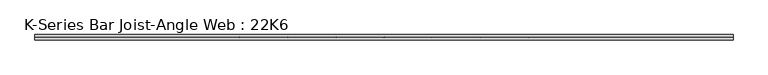
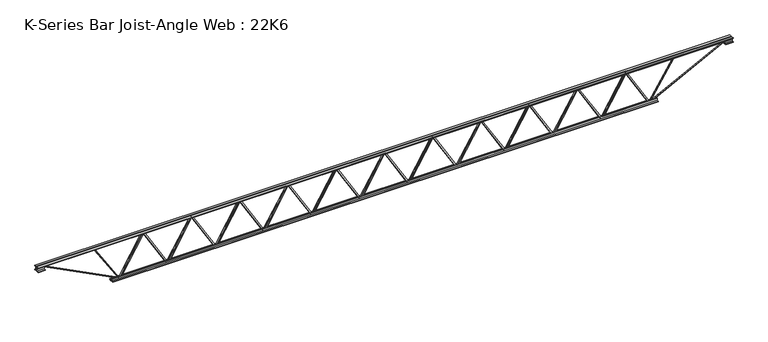
"""IFC4 building model written with IfcOpenShell, lengths in millimetres: beam geometry, K-Series Bar Joist-Angle Web : 22K6."""

from ifc_helpers import new_model, si_unit, frame, origin, place, context, project, spatial, polyline, outline, extrude, faceted_brep, source, transform, mapped, element, save


def k_series_bar_joist_angle_web_22k6_194b83d4(model_context):
    return source(origin(), model_context, "Body", "SolidModel", [
        extrude(outline(polyline([(-4.7625, 4.7625), (-4.7625, 0.0), (-17.4625, 0.0), (-17.4625, 4.7625), (-4.7625, 4.7625)])), frame((2919.8861091, 0.0, -241.3), z_axis=(-0.5089019313301346, 0.0, 0.8608245026069246), x_axis=(0.0, -1.0, 0.0)), (0.0, 0.0, 1.0), 560.6253058),
        extrude(outline(polyline([(-276.225, 2952.3170455), (-257.175, 2952.3170455), (-257.175, 2951.4010324), (276.225, 2636.0658051), (276.225, 2617.9318182), (257.175, 2617.9318182), (257.175, 2625.1978312), (-276.225, 2940.5330585), (-276.225, 2952.3170455)])), frame((0.0, 0.0, 0.0), z_axis=(0.0, 1.0, 0.0), x_axis=(0.0, 0.0, 1.0)), (0.0, 0.0, 1.0), 4.7625),
        faceted_brep([(2296.2465909, 0.0, -257.175), (2296.2465909, 0.0, -276.225), (2296.2465909, -4.7625, -276.225), (2296.2465909, -4.7625, -257.175), (2297.162604, 0.0, -257.175), (2612.4978312, 0.0, 276.225), (2630.6318182, 0.0, 276.225), (2630.6318182, 0.0, 257.175), (2623.3658051, 0.0, 257.175), (2308.0305778, 0.0, -276.225), (2308.0305778, -4.7625, -276.225), (2328.6775273, -4.7625, -241.3), (2324.5778506, -4.7625, -238.8763546), (2609.8811514, -4.7625, 243.7236454), (2613.9808281, -4.7625, 241.3), (2623.3658051, -4.7625, 257.175), (2630.6318182, -4.7625, 257.175), (2630.6318182, -4.7625, 276.225), (2612.4978312, -4.7625, 276.225), (2297.162604, -4.7625, -257.175), (2613.9808281, -17.4625, 241.3), (2328.6775273, -17.4625, -241.3), (2324.5778506, -17.4625, -238.8763546), (2609.8811514, -17.4625, 243.7236454)], [[[0, 1, 2, 3]], [[1, 0, 4, 5, 6, 7, 8, 9]], [[2, 1, 9, 10]], [[3, 2, 10, 11, 12, 13, 14, 15, 16, 17, 18, 19]], [[0, 3, 19, 4]], [[9, 8, 15, 14, 20, 21, 11, 10]], [[5, 4, 19, 18]], [[7, 6, 17, 16]], [[8, 7, 16, 15]], [[6, 5, 18, 17]], [[21, 22, 12, 11]], [[20, 14, 13, 23]], [[22, 21, 20, 23]], [[12, 22, 23, 13]]]),
        extrude(outline(polyline([(-4.7625, 4.7625), (-4.7625, 0.0), (-17.4625, 0.0), (-17.4625, 4.7625), (-4.7625, 4.7625)])), frame((2263.8156546, 0.0, -241.3), z_axis=(-0.5089019313301346, 0.0, 0.8608245026069246), x_axis=(0.0, -1.0, 0.0)), (0.0, 0.0, 1.0), 560.6253058),
        extrude(outline(polyline([(-276.225, 2296.2465909), (-257.175, 2296.2465909), (-257.175, 2295.3305778), (276.225, 1979.9953506), (276.225, 1961.8613636), (257.175, 1961.8613636), (257.175, 1969.1273767), (-276.225, 2284.462604), (-276.225, 2296.2465909)])), frame((0.0, 0.0, 0.0), z_axis=(0.0, 1.0, 0.0), x_axis=(0.0, 0.0, 1.0)), (0.0, 0.0, 1.0), 4.7625),
        faceted_brep([(1640.1761364, 0.0, -257.175), (1640.1761364, 0.0, -276.225), (1640.1761364, -4.7625, -276.225), (1640.1761364, -4.7625, -257.175), (1641.0921494, 0.0, -257.175), (1956.4273767, 0.0, 276.225), (1974.5613636, 0.0, 276.225), (1974.5613636, 0.0, 257.175), (1967.2953506, 0.0, 257.175), (1651.9601233, 0.0, -276.225), (1651.9601233, -4.7625, -276.225), (1672.6070727, -4.7625, -241.3), (1668.507396, -4.7625, -238.8763546), (1953.8106969, -4.7625, 243.7236454), (1957.9103736, -4.7625, 241.3), (1967.2953506, -4.7625, 257.175), (1974.5613636, -4.7625, 257.175), (1974.5613636, -4.7625, 276.225), (1956.4273767, -4.7625, 276.225), (1641.0921494, -4.7625, -257.175), (1957.9103736, -17.4625, 241.3), (1672.6070727, -17.4625, -241.3), (1668.507396, -17.4625, -238.8763546), (1953.8106969, -17.4625, 243.7236454)], [[[0, 1, 2, 3]], [[1, 0, 4, 5, 6, 7, 8, 9]], [[2, 1, 9, 10]], [[3, 2, 10, 11, 12, 13, 14, 15, 16, 17, 18, 19]], [[0, 3, 19, 4]], [[9, 8, 15, 14, 20, 21, 11, 10]], [[5, 4, 19, 18]], [[7, 6, 17, 16]], [[8, 7, 16, 15]], [[6, 5, 18, 17]], [[21, 22, 12, 11]], [[20, 14, 13, 23]], [[22, 21, 20, 23]], [[12, 22, 23, 13]]]),
        extrude(outline(polyline([(-4.7625, 4.7625), (-4.7625, 0.0), (-17.4625, 0.0), (-17.4625, 4.7625), (-4.7625, 4.7625)])), frame((1607.7452, 0.0, -241.3), z_axis=(-0.5089019313301346, 0.0, 0.8608245026069246), x_axis=(0.0, -1.0, 0.0)), (0.0, 0.0, 1.0), 560.6253058),
        extrude(outline(polyline([(-276.225, 1640.1761364), (-257.175, 1640.1761364), (-257.175, 1639.2601233), (276.225, 1323.924896), (276.225, 1305.7909091), (257.175, 1305.7909091), (257.175, 1313.0569222), (-276.225, 1628.3921494), (-276.225, 1640.1761364)])), frame((0.0, 0.0, 0.0), z_axis=(0.0, 1.0, 0.0), x_axis=(0.0, 0.0, 1.0)), (0.0, 0.0, 1.0), 4.7625),
        faceted_brep([(984.1056818, 0.0, -257.175), (984.1056818, 0.0, -276.225), (984.1056818, -4.7625, -276.225), (984.1056818, -4.7625, -257.175), (985.0216949, 0.0, -257.175), (1300.3569222, 0.0, 276.225), (1318.4909091, 0.0, 276.225), (1318.4909091, 0.0, 257.175), (1311.224896, 0.0, 257.175), (995.8896688, 0.0, -276.225), (995.8896688, -4.7625, -276.225), (1016.5366182, -4.7625, -241.3), (1012.4369415, -4.7625, -238.8763546), (1297.7402423, -4.7625, 243.7236454), (1301.839919, -4.7625, 241.3), (1311.224896, -4.7625, 257.175), (1318.4909091, -4.7625, 257.175), (1318.4909091, -4.7625, 276.225), (1300.3569222, -4.7625, 276.225), (985.0216949, -4.7625, -257.175), (1301.839919, -17.4625, 241.3), (1016.5366182, -17.4625, -241.3), (1012.4369415, -17.4625, -238.8763546), (1297.7402423, -17.4625, 243.7236454)], [[[0, 1, 2, 3]], [[1, 0, 4, 5, 6, 7, 8, 9]], [[2, 1, 9, 10]], [[3, 2, 10, 11, 12, 13, 14, 15, 16, 17, 18, 19]], [[0, 3, 19, 4]], [[9, 8, 15, 14, 20, 21, 11, 10]], [[5, 4, 19, 18]], [[7, 6, 17, 16]], [[8, 7, 16, 15]], [[6, 5, 18, 17]], [[21, 22, 12, 11]], [[20, 14, 13, 23]], [[22, 21, 20, 23]], [[12, 22, 23, 13]]]),
        extrude(outline(polyline([(-4.7625, 4.7625), (-4.7625, 0.0), (-17.4625, 0.0), (-17.4625, 4.7625), (-4.7625, 4.7625)])), frame((951.6747455, 0.0, -241.3), z_axis=(-0.5089019313301346, 0.0, 0.8608245026069246), x_axis=(0.0, -1.0, 0.0)), (0.0, 0.0, 1.0), 560.6253058),
        extrude(outline(polyline([(-276.225, 984.1056818), (-257.175, 984.1056818), (-257.175, 983.1896688), (276.225, 667.8544415), (276.225, 649.7204545), (257.175, 649.7204545), (257.175, 656.9864676), (-276.225, 972.3216949), (-276.225, 984.1056818)])), frame((0.0, 0.0, 0.0), z_axis=(0.0, 1.0, 0.0), x_axis=(0.0, 0.0, 1.0)), (0.0, 0.0, 1.0), 4.7625),
        faceted_brep([(328.0352273, 0.0, -257.175), (328.0352273, 0.0, -276.225), (328.0352273, -4.7625, -276.225), (328.0352273, -4.7625, -257.175), (328.9512403, 0.0, -257.175), (644.2864676, 0.0, 276.225), (662.4204545, 0.0, 276.225), (662.4204545, 0.0, 257.175), (655.1544415, 0.0, 257.175), (339.8192142, 0.0, -276.225), (339.8192142, -4.7625, -276.225), (360.4661636, -4.7625, -241.3), (356.3664869, -4.7625, -238.8763546), (641.6697878, -4.7625, 243.7236454), (645.7694645, -4.7625, 241.3), (655.1544415, -4.7625, 257.175), (662.4204545, -4.7625, 257.175), (662.4204545, -4.7625, 276.225), (644.2864676, -4.7625, 276.225), (328.9512403, -4.7625, -257.175), (645.7694645, -17.4625, 241.3), (360.4661636, -17.4625, -241.3), (356.3664869, -17.4625, -238.8763546), (641.6697878, -17.4625, 243.7236454)], [[[0, 1, 2, 3]], [[1, 0, 4, 5, 6, 7, 8, 9]], [[2, 1, 9, 10]], [[3, 2, 10, 11, 12, 13, 14, 15, 16, 17, 18, 19]], [[0, 3, 19, 4]], [[9, 8, 15, 14, 20, 21, 11, 10]], [[5, 4, 19, 18]], [[7, 6, 17, 16]], [[8, 7, 16, 15]], [[6, 5, 18, 17]], [[21, 22, 12, 11]], [[20, 14, 13, 23]], [[22, 21, 20, 23]], [[12, 22, 23, 13]]]),
        extrude(outline(polyline([(-4.7625, 4.7625), (-4.7625, 0.0), (-17.4625, 0.0), (-17.4625, 4.7625), (-4.7625, 4.7625)])), frame((295.6042909, 0.0, -241.3), z_axis=(-0.5089019313301346, 0.0, 0.8608245026069246), x_axis=(0.0, -1.0, 0.0)), (0.0, 0.0, 1.0), 560.6253058),
        extrude(outline(polyline([(-276.225, 328.0352273), (-257.175, 328.0352273), (-257.175, 327.1192142), (276.225, 11.7839869), (276.225, -6.35), (257.175, -6.35), (257.175, 0.9160131), (-276.225, 316.2512403), (-276.225, 328.0352273)])), frame((0.0, 0.0, 0.0), z_axis=(0.0, 1.0, 0.0), x_axis=(0.0, 0.0, 1.0)), (0.0, 0.0, 1.0), 4.7625),
        faceted_brep([(-328.0352273, 0.0, -257.175), (-328.0352273, 0.0, -276.225), (-328.0352273, -4.7625, -276.225), (-328.0352273, -4.7625, -257.175), (-327.1192142, 0.0, -257.175), (-11.7839869, 0.0, 276.225), (6.35, 0.0, 276.225), (6.35, 0.0, 257.175), (-0.9160131, 0.0, 257.175), (-316.2512403, 0.0, -276.225), (-316.2512403, -4.7625, -276.225), (-295.6042909, -4.7625, -241.3), (-299.7039676, -4.7625, -238.8763546), (-14.4006668, -4.7625, 243.7236454), (-10.3009901, -4.7625, 241.3), (-0.9160131, -4.7625, 257.175), (6.35, -4.7625, 257.175), (6.35, -4.7625, 276.225), (-11.7839869, -4.7625, 276.225), (-327.1192142, -4.7625, -257.175), (-10.3009901, -17.4625, 241.3), (-295.6042909, -17.4625, -241.3), (-299.7039676, -17.4625, -238.8763546), (-14.4006668, -17.4625, 243.7236454)], [[[0, 1, 2, 3]], [[1, 0, 4, 5, 6, 7, 8, 9]], [[2, 1, 9, 10]], [[3, 2, 10, 11, 12, 13, 14, 15, 16, 17, 18, 19]], [[0, 3, 19, 4]], [[9, 8, 15, 14, 20, 21, 11, 10]], [[5, 4, 19, 18]], [[7, 6, 17, 16]], [[8, 7, 16, 15]], [[6, 5, 18, 17]], [[21, 22, 12, 11]], [[20, 14, 13, 23]], [[22, 21, 20, 23]], [[12, 22, 23, 13]]]),
        extrude(outline(polyline([(-4.7625, 4.7625), (-4.7625, 0.0), (-17.4625, 0.0), (-17.4625, 4.7625), (-4.7625, 4.7625)])), frame((-360.4661636, 0.0, -241.3), z_axis=(-0.5089019313301346, 0.0, 0.8608245026069246), x_axis=(0.0, -1.0, 0.0)), (0.0, 0.0, 1.0), 560.6253058),
        extrude(outline(polyline([(-276.225, -328.0352273), (-257.175, -328.0352273), (-257.175, -328.9512403), (276.225, -644.2864676), (276.225, -662.4204545), (257.175, -662.4204545), (257.175, -655.1544415), (-276.225, -339.8192142), (-276.225, -328.0352273)])), frame((0.0, 0.0, 0.0), z_axis=(0.0, 1.0, 0.0), x_axis=(0.0, 0.0, 1.0)), (0.0, 0.0, 1.0), 4.7625),
        faceted_brep([(-984.1056818, 0.0, -257.175), (-984.1056818, 0.0, -276.225), (-984.1056818, -4.7625, -276.225), (-984.1056818, -4.7625, -257.175), (-983.1896688, 0.0, -257.175), (-667.8544415, 0.0, 276.225), (-649.7204545, 0.0, 276.225), (-649.7204545, 0.0, 257.175), (-656.9864676, 0.0, 257.175), (-972.3216949, 0.0, -276.225), (-972.3216949, -4.7625, -276.225), (-951.6747455, -4.7625, -241.3), (-955.7744222, -4.7625, -238.8763546), (-670.4711213, -4.7625, 243.7236454), (-666.3714446, -4.7625, 241.3), (-656.9864676, -4.7625, 257.175), (-649.7204545, -4.7625, 257.175), (-649.7204545, -4.7625, 276.225), (-667.8544415, -4.7625, 276.225), (-983.1896688, -4.7625, -257.175), (-666.3714446, -17.4625, 241.3), (-951.6747455, -17.4625, -241.3), (-955.7744222, -17.4625, -238.8763546), (-670.4711213, -17.4625, 243.7236454)], [[[0, 1, 2, 3]], [[1, 0, 4, 5, 6, 7, 8, 9]], [[2, 1, 9, 10]], [[3, 2, 10, 11, 12, 13, 14, 15, 16, 17, 18, 19]], [[0, 3, 19, 4]], [[9, 8, 15, 14, 20, 21, 11, 10]], [[5, 4, 19, 18]], [[7, 6, 17, 16]], [[8, 7, 16, 15]], [[6, 5, 18, 17]], [[21, 22, 12, 11]], [[20, 14, 13, 23]], [[22, 21, 20, 23]], [[12, 22, 23, 13]]]),
        extrude(outline(polyline([(-4.7625, 4.7625), (-4.7625, 0.0), (-17.4625, 0.0), (-17.4625, 4.7625), (-4.7625, 4.7625)])), frame((-1016.5366182, 0.0, -241.3), z_axis=(-0.5089019313301346, 0.0, 0.8608245026069246), x_axis=(0.0, -1.0, 0.0)), (0.0, 0.0, 1.0), 560.6253058),
        extrude(outline(polyline([(-276.225, -984.1056818), (-257.175, -984.1056818), (-257.175, -985.0216949), (276.225, -1300.3569222), (276.225, -1318.4909091), (257.175, -1318.4909091), (257.175, -1311.224896), (-276.225, -995.8896688), (-276.225, -984.1056818)])), frame((0.0, 0.0, 0.0), z_axis=(0.0, 1.0, 0.0), x_axis=(0.0, 0.0, 1.0)), (0.0, 0.0, 1.0), 4.7625),
        faceted_brep([(-1640.1761364, 0.0, -257.175), (-1640.1761364, 0.0, -276.225), (-1640.1761364, -4.7625, -276.225), (-1640.1761364, -4.7625, -257.175), (-1639.2601233, 0.0, -257.175), (-1323.924896, 0.0, 276.225), (-1305.7909091, 0.0, 276.225), (-1305.7909091, 0.0, 257.175), (-1313.0569222, 0.0, 257.175), (-1628.3921494, 0.0, -276.225), (-1628.3921494, -4.7625, -276.225), (-1607.7452, -4.7625, -241.3), (-1611.8448767, -4.7625, -238.8763546), (-1326.5415758, -4.7625, 243.7236454), (-1322.4418992, -4.7625, 241.3), (-1313.0569222, -4.7625, 257.175), (-1305.7909091, -4.7625, 257.175), (-1305.7909091, -4.7625, 276.225), (-1323.924896, -4.7625, 276.225), (-1639.2601233, -4.7625, -257.175), (-1322.4418992, -17.4625, 241.3), (-1607.7452, -17.4625, -241.3), (-1611.8448767, -17.4625, -238.8763546), (-1326.5415758, -17.4625, 243.7236454)], [[[0, 1, 2, 3]], [[1, 0, 4, 5, 6, 7, 8, 9]], [[2, 1, 9, 10]], [[3, 2, 10, 11, 12, 13, 14, 15, 16, 17, 18, 19]], [[0, 3, 19, 4]], [[9, 8, 15, 14, 20, 21, 11, 10]], [[5, 4, 19, 18]], [[7, 6, 17, 16]], [[8, 7, 16, 15]], [[6, 5, 18, 17]], [[21, 22, 12, 11]], [[20, 14, 13, 23]], [[22, 21, 20, 23]], [[12, 22, 23, 13]]]),
        extrude(outline(polyline([(-4.7625, 4.7625), (-4.7625, 0.0), (-17.4625, 0.0), (-17.4625, 4.7625), (-4.7625, 4.7625)])), frame((-1672.6070727, 0.0, -241.3), z_axis=(-0.5089019313301346, 0.0, 0.8608245026069246), x_axis=(0.0, -1.0, 0.0)), (0.0, 0.0, 1.0), 560.6253058),
        extrude(outline(polyline([(-276.225, -1640.1761364), (-257.175, -1640.1761364), (-257.175, -1641.0921494), (276.225, -1956.4273767), (276.225, -1974.5613636), (257.175, -1974.5613636), (257.175, -1967.2953506), (-276.225, -1651.9601233), (-276.225, -1640.1761364)])), frame((0.0, 0.0, 0.0), z_axis=(0.0, 1.0, 0.0), x_axis=(0.0, 0.0, 1.0)), (0.0, 0.0, 1.0), 4.7625),
        faceted_brep([(-2296.2465909, 0.0, -257.175), (-2296.2465909, 0.0, -276.225), (-2296.2465909, -4.7625, -276.225), (-2296.2465909, -4.7625, -257.175), (-2295.3305778, 0.0, -257.175), (-1979.9953506, 0.0, 276.225), (-1961.8613636, 0.0, 276.225), (-1961.8613636, 0.0, 257.175), (-1969.1273767, 0.0, 257.175), (-2284.462604, 0.0, -276.225), (-2284.462604, -4.7625, -276.225), (-2263.8156546, -4.7625, -241.3), (-2267.9153313, -4.7625, -238.8763546), (-1982.6120304, -4.7625, 243.7236454), (-1978.5123537, -4.7625, 241.3), (-1969.1273767, -4.7625, 257.175), (-1961.8613636, -4.7625, 257.175), (-1961.8613636, -4.7625, 276.225), (-1979.9953506, -4.7625, 276.225), (-2295.3305778, -4.7625, -257.175), (-1978.5123537, -17.4625, 241.3), (-2263.8156546, -17.4625, -241.3), (-2267.9153313, -17.4625, -238.8763546), (-1982.6120304, -17.4625, 243.7236454)], [[[0, 1, 2, 3]], [[1, 0, 4, 5, 6, 7, 8, 9]], [[2, 1, 9, 10]], [[3, 2, 10, 11, 12, 13, 14, 15, 16, 17, 18, 19]], [[0, 3, 19, 4]], [[9, 8, 15, 14, 20, 21, 11, 10]], [[5, 4, 19, 18]], [[7, 6, 17, 16]], [[8, 7, 16, 15]], [[6, 5, 18, 17]], [[21, 22, 12, 11]], [[20, 14, 13, 23]], [[22, 21, 20, 23]], [[12, 22, 23, 13]]]),
        extrude(outline(polyline([(-4.7625, 4.7625), (-4.7625, 0.0), (-17.4625, 0.0), (-17.4625, 4.7625), (-4.7625, 4.7625)])), frame((-2328.6775273, 0.0, -241.3), z_axis=(-0.5089019313301346, 0.0, 0.8608245026069246), x_axis=(0.0, -1.0, 0.0)), (0.0, 0.0, 1.0), 560.6253058),
        extrude(outline(polyline([(-276.225, -2296.2465909), (-257.175, -2296.2465909), (-257.175, -2297.162604), (276.225, -2612.4978312), (276.225, -2630.6318182), (257.175, -2630.6318182), (257.175, -2623.3658051), (-276.225, -2308.0305778), (-276.225, -2296.2465909)])), frame((0.0, 0.0, 0.0), z_axis=(0.0, 1.0, 0.0), x_axis=(0.0, 0.0, 1.0)), (0.0, 0.0, 1.0), 4.7625),
        faceted_brep([(-2952.3170455, 0.0, -257.175), (-2952.3170455, 0.0, -276.225), (-2952.3170455, -4.7625, -276.225), (-2952.3170455, -4.7625, -257.175), (-2951.4010324, 0.0, -257.175), (-2636.0658051, 0.0, 276.225), (-2617.9318182, 0.0, 276.225), (-2617.9318182, 0.0, 257.175), (-2625.1978312, 0.0, 257.175), (-2940.5330585, 0.0, -276.225), (-2940.5330585, -4.7625, -276.225), (-2919.8861091, -4.7625, -241.3), (-2923.9857858, -4.7625, -238.8763546), (-2638.6824849, -4.7625, 243.7236454), (-2634.5828082, -4.7625, 241.3), (-2625.1978312, -4.7625, 257.175), (-2617.9318182, -4.7625, 257.175), (-2617.9318182, -4.7625, 276.225), (-2636.0658051, -4.7625, 276.225), (-2951.4010324, -4.7625, -257.175), (-2634.5828082, -17.4625, 241.3), (-2919.8861091, -17.4625, -241.3), (-2923.9857858, -17.4625, -238.8763546), (-2638.6824849, -17.4625, 243.7236454)], [[[0, 1, 2, 3]], [[1, 0, 4, 5, 6, 7, 8, 9]], [[2, 1, 9, 10]], [[3, 2, 10, 11, 12, 13, 14, 15, 16, 17, 18, 19]], [[0, 3, 19, 4]], [[9, 8, 15, 14, 20, 21, 11, 10]], [[5, 4, 19, 18]], [[7, 6, 17, 16]], [[8, 7, 16, 15]], [[6, 5, 18, 17]], [[21, 22, 12, 11]], [[20, 14, 13, 23]], [[22, 21, 20, 23]], [[12, 22, 23, 13]]]),
        extrude(outline(polyline([(-4.7625, 4.7624999), (-4.7625, 0.0), (-17.4625, 0.0), (-17.4625, 4.7624999), (-4.7625, 4.7624999)])), frame((3575.9565637, 0.0, -241.3), z_axis=(-0.5089019313301346, 0.0, 0.8608245026069246), x_axis=(0.0, -1.0, 0.0)), (0.0, 0.0, 1.0), 560.6253058),
        extrude(outline(polyline([(-276.225, 3608.3875), (-257.175, 3608.3875), (-257.175, 3607.4714869), (276.225, 3292.1362597), (276.225, 3274.0022727), (257.175, 3274.0022727), (257.175, 3281.2682858), (-276.225, 3596.6035131), (-276.225, 3608.3875)])), frame((0.0, 0.0, 0.0), z_axis=(0.0, 1.0, 0.0), x_axis=(0.0, 0.0, 1.0)), (0.0, 0.0, 1.0), 4.7625),
        faceted_brep([(2952.3170455, 0.0, -257.175), (2952.3170455, 0.0, -276.225), (2952.3170455, -4.7625, -276.225), (2952.3170455, -4.7625, -257.175), (2953.2330585, 0.0, -257.175), (3268.5682858, 0.0, 276.225), (3286.7022727, 0.0, 276.225), (3286.7022727, 0.0, 257.175), (3279.4362597, 0.0, 257.175), (2964.1010324, 0.0, -276.225), (2964.1010324, -4.7625, -276.225), (2984.7479818, -4.7625, -241.3), (2980.6483051, -4.7625, -238.8763546), (3265.951606, -4.7625, 243.7236454), (3270.0512827, -4.7625, 241.3), (3279.4362597, -4.7625, 257.175), (3286.7022727, -4.7625, 257.175), (3286.7022727, -4.7625, 276.225), (3268.5682858, -4.7625, 276.225), (2953.2330585, -4.7625, -257.175), (3270.0512827, -17.4625, 241.3), (2984.7479818, -17.4625, -241.3), (2980.6483051, -17.4625, -238.8763546), (3265.951606, -17.4625, 243.7236454)], [[[0, 1, 2, 3]], [[1, 0, 4, 5, 6, 7, 8, 9]], [[2, 1, 9, 10]], [[3, 2, 10, 11, 12, 13, 14, 15, 16, 17, 18, 19]], [[0, 3, 19, 4]], [[9, 8, 15, 14, 20, 21, 11, 10]], [[5, 4, 19, 18]], [[7, 6, 17, 16]], [[8, 7, 16, 15]], [[6, 5, 18, 17]], [[21, 22, 12, 11]], [[20, 14, 13, 23]], [[22, 21, 20, 23]], [[12, 22, 23, 13]]]),
        extrude(outline(polyline([(-4.7625, 4.7625), (-4.7625, 0.0), (-17.4625, 0.0), (-17.4625, 4.7625), (-4.7625, 4.7625)])), frame((-2984.7479818, 0.0, -241.3), z_axis=(-0.5089019313301346, 0.0, 0.8608245026069246), x_axis=(0.0, -1.0, 0.0)), (0.0, 0.0, 1.0), 560.6253058),
        extrude(outline(polyline([(-276.225, -2952.3170455), (-257.175, -2952.3170455), (-257.175, -2953.2330585), (276.225, -3268.5682858), (276.225, -3286.7022727), (257.175, -3286.7022727), (257.175, -3279.4362597), (-276.225, -2964.1010324), (-276.225, -2952.3170455)])), frame((0.0, 0.0, 0.0), z_axis=(0.0, 1.0, 0.0), x_axis=(0.0, 0.0, 1.0)), (0.0, 0.0, 1.0), 4.7625),
        faceted_brep([(-3608.3875, 0.0, -257.175), (-3608.3875, 0.0, -276.225), (-3608.3875, -4.7625, -276.225), (-3608.3875, -4.7625, -257.175), (-3607.4714869, 0.0, -257.175), (-3292.1362597, 0.0, 276.225), (-3274.0022727, 0.0, 276.225), (-3274.0022727, 0.0, 257.175), (-3281.2682858, 0.0, 257.175), (-3596.6035131, 0.0, -276.225), (-3596.6035131, -4.7625, -276.225), (-3575.9565637, -4.7625, -241.3), (-3580.0562403, -4.7625, -238.8763546), (-3294.7529395, -4.7625, 243.7236454), (-3290.6532628, -4.7625, 241.3), (-3281.2682858, -4.7625, 257.175), (-3274.0022727, -4.7625, 257.175), (-3274.0022727, -4.7625, 276.225), (-3292.1362597, -4.7625, 276.225), (-3607.4714869, -4.7625, -257.175), (-3290.6532628, -17.4625, 241.3), (-3575.9565637, -17.4625, -241.3), (-3580.0562403, -17.4625, -238.8763546), (-3294.7529395, -17.4625, 243.7236454)], [[[0, 1, 2, 3]], [[1, 0, 4, 5, 6, 7, 8, 9]], [[2, 1, 9, 10]], [[3, 2, 10, 11, 12, 13, 14, 15, 16, 17, 18, 19]], [[0, 3, 19, 4]], [[9, 8, 15, 14, 20, 21, 11, 10]], [[5, 4, 19, 18]], [[7, 6, 17, 16]], [[8, 7, 16, 15]], [[6, 5, 18, 17]], [[21, 22, 12, 11]], [[20, 14, 13, 23]], [[22, 21, 20, 23]], [[12, 22, 23, 13]]]),
        extrude(outline(polyline([(4.7625, 279.4), (36.5125, 279.4), (36.5125, 273.05), (11.1125, 273.05), (11.1125, 247.65), (4.7625, 247.65), (4.7625, 279.4)])), frame((-4725.9875, 0.0, 0.0), z_axis=(1.0, 0.0, 0.0), x_axis=(0.0, 1.0, 0.0)), (0.0, 0.0, 1.0), 9451.975),
        extrude(outline(polyline([(-4.7625, 279.4), (-4.7625, 247.65), (-11.1125, 247.65), (-11.1125, 273.05), (-36.5125, 273.05), (-36.5125, 279.4), (-4.7625, 279.4)])), frame((-4725.9875, 0.0, 0.0), z_axis=(1.0, 0.0, 0.0), x_axis=(0.0, 1.0, 0.0)), (0.0, 0.0, 1.0), 9451.975),
        extrude(outline(polyline([(-4.7625, 215.9), (-36.5125, 215.9), (-36.5125, 222.25), (-11.1125, 222.25), (-11.1125, 247.65), (-4.7625, 247.65), (-4.7625, 215.9)])), frame((-4725.9875, 0.0, 0.0), z_axis=(1.0, 0.0, 0.0), x_axis=(0.0, 1.0, 0.0)), (0.0, 0.0, 1.0), 101.6),
        extrude(outline(polyline([(36.5125, 215.9), (4.7625, 215.9), (4.7625, 247.65), (11.1125, 247.65), (11.1125, 222.25), (36.5125, 222.25), (36.5125, 215.9)])), frame((-4725.9875, 0.0, 0.0), z_axis=(1.0, 0.0, 0.0), x_axis=(0.0, 1.0, 0.0)), (0.0, 0.0, 1.0), 101.6),
        extrude(outline(polyline([(4.7625, 215.9), (4.7625, 247.65), (11.1125, 247.65), (11.1125, 222.25), (36.5125, 222.25), (36.5125, 215.9), (4.7625, 215.9)])), frame((4624.3875, 0.0, 0.0), z_axis=(1.0, 0.0, 0.0), x_axis=(0.0, 1.0, 0.0)), (0.0, 0.0, 1.0), 101.6),
        extrude(outline(polyline([(-4.7625, 215.9), (-36.5125, 215.9), (-36.5125, 222.25), (-11.1125, 222.25), (-11.1125, 247.65), (-4.7625, 247.65), (-4.7625, 215.9)])), frame((4624.3875, 0.0, 0.0), z_axis=(1.0, 0.0, 0.0), x_axis=(0.0, 1.0, 0.0)), (0.0, 0.0, 1.0), 101.6),
        extrude(outline(polyline([(4.7625, -279.4), (4.7625, -247.65), (11.1125, -247.65), (11.1125, -273.05), (36.5125, -273.05), (36.5125, -279.4), (4.7625, -279.4)])), frame((-3709.9875, 0.0, 0.0), z_axis=(1.0, 0.0, 0.0), x_axis=(0.0, 1.0, 0.0)), (0.0, 0.0, 1.0), 7419.975),
        extrude(outline(polyline([(-4.7625, -279.4), (-36.5125, -279.4), (-36.5125, -273.05), (-11.1125, -273.05), (-11.1125, -247.65), (-4.7625, -247.65), (-4.7625, -279.4)])), frame((-3709.9875, 0.0, 0.0), z_axis=(1.0, 0.0, 0.0), x_axis=(0.0, 1.0, 0.0)), (0.0, 0.0, 1.0), 7419.975),
        extrude(outline(polyline([(4.7625, 4.7625), (4.7625, -4.7625), (-4.7625, -4.7625), (-4.7625, 4.7625), (4.7625, 4.7625)])), frame((3608.3875, 0.0, -273.05), z_axis=(0.533030941322702, 0.0, 0.8460957484780516), x_axis=(0.0, -1.0, 0.0)), (0.0, 0.0, 1.0), 615.4149822),
        extrude(outline(polyline([(4.7625, 4.7625), (4.7625, -4.7625), (-4.7625, -4.7625), (-4.7625, 4.7625), (4.7625, 4.7625)])), frame((-3608.3875, 0.0, -273.05), z_axis=(-0.5330309413226807, 0.0, 0.846095748478065), x_axis=(0.0, -1.0, 0.0)), (0.0, 0.0, 1.0), 615.4149822),
        extrude(outline(polyline([(0.0, -9.525), (0.0, 0.0), (1141.6586574, 0.0), (1141.6586574, -9.525), (0.0, -9.525)])), frame((4626.5596324, -4.7625, 243.4116929), z_axis=(-0.4560907909100905, 0.0, 0.8899332505570338), x_axis=(-0.8899332505570338, 0.0, -0.4560907909100905)), (0.0, 0.0, 1.0), 9.525),
        extrude(outline(polyline([(0.0, -9.525), (0.0, 0.0), (1141.6586574, 0.0), (1141.6586574, -9.525), (0.0, -9.525)])), frame((-4626.5596324, 4.7625, 243.4116929), z_axis=(0.4560907909100891, 0.0, 0.8899332505570344), x_axis=(0.8899332505570344, 0.0, -0.4560907909100891)), (0.0, 0.0, 1.0), 9.525),
    ])


if __name__ == "__main__":
    model = new_model("IFC4")
    model_context = context("Model", 3, world=origin())
    ifc_project = project(units=[si_unit("LENGTHUNIT", "METRE", prefix="MILLI")], contexts=[model_context])
    site = spatial("IfcSite", under=ifc_project)
    building = spatial("IfcBuilding", under=site)
    placement = place(None, origin())
    k_series_bar_joist_angle_web_22k6_shape = k_series_bar_joist_angle_web_22k6_194b83d4(model_context)
    element("IfcBeam", 1, ObjectType="K-Series Bar Joist-Angle Web : 22K6", at=placement, inside=building, context=model_context, shape_type="MappedRepresentation", body=[
        mapped(k_series_bar_joist_angle_web_22k6_shape, transform((0.0, 0.0, 0.0), x_axis=(1.0, 0.0, 0.0), y_axis=(0.0, 1.0, 0.0), z_axis=(0.0, 0.0, 1.0))),
    ])
    save(model, "model.ifc")
